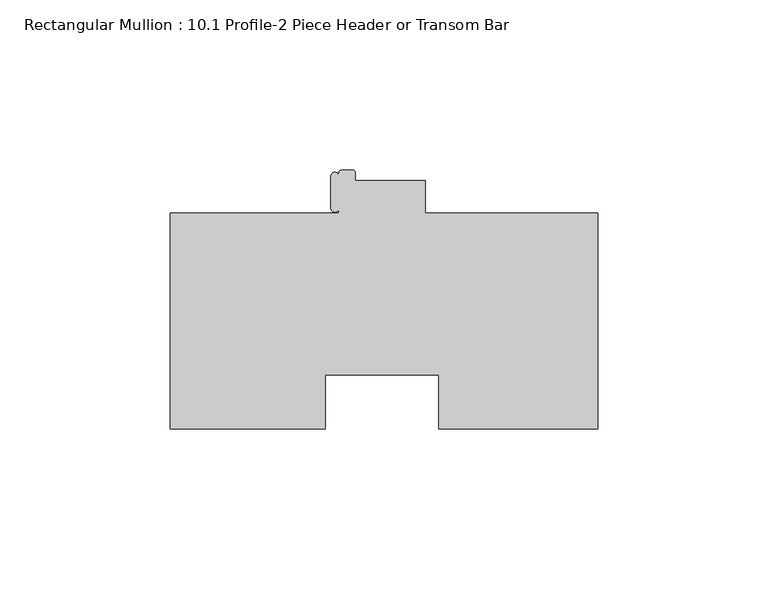
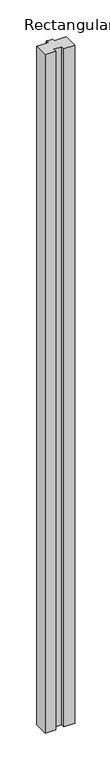
"""IFC4 building model written with IfcOpenShell, lengths in millimetres: member geometry, Rectangular Mullion : 10.1 Profile-2 Piece Header or Transom Bar."""

from ifc_helpers import new_model, si_unit, point, frame, frame_2d, origin, place, context, project, spatial, polyline, circle_curve, trimmed, segment, composite_curve, outline, extrude, source, transform, mapped, element, save


def rectangular_mullion_10_1_profile_2_piece_header_or_transom_fe60bb58(model_context):
    return source(origin(), model_context, "Body", "SweptSolid", [
        extrude(outline(composite_curve([segment(polyline([(-50.7238, 15.08125), (0.0, 15.08125), (0.0, -48.41875), (-46.8503, -48.41875), (-46.8503, -32.5312262), (-80.2091346, -32.5312262), (-80.2091346, -48.41875), (-125.7808, -48.41875), (-125.7808, 15.08125), (-76.1238, 15.08125), (-76.1238, 16.5470542)]), True, "CONTINUOUS"), segment(trimmed(circle_curve(frame_2d((-77.317346, 16.5716791)), 1.1938), [point((-76.1238, 16.5470542))], [point((-78.511146, 16.5716791))], False, "CARTESIAN"), True, "CONTINUOUS"), segment(polyline([(-78.511146, 16.5716791), (-78.511146, 25.8970345)]), True, "CONTINUOUS"), segment(trimmed(circle_curve(frame_2d((-77.317346, 25.8970345)), 1.1938), [point((-78.511146, 25.8970345))], [point((-76.1238, 25.9216594))], False, "CARTESIAN"), True, "CONTINUOUS"), segment(polyline([(-76.1238, 25.9216594), (-76.1238, 26.99385)]), True, "CONTINUOUS"), segment(trimmed(circle_curve(frame_2d((-75.3364, 26.99385)), 0.7874), [point((-76.1238, 26.99385))], [point((-75.3364, 27.78125))], False, "CARTESIAN"), True, "CONTINUOUS"), segment(polyline([(-75.3364, 27.78125), (-72.136, 27.78125)]), True, "CONTINUOUS"), segment(trimmed(circle_curve(frame_2d((-72.136, 26.99385)), 0.7874), [point((-72.136, 27.78125))], [point((-71.3486, 26.99385))], False, "CARTESIAN"), True, "CONTINUOUS"), segment(polyline([(-71.3486, 26.99385), (-71.3486, 24.60625), (-50.7238, 24.60625), (-50.7238, 15.08125)]), True, "CONTINUOUS")], self_intersect=False)), frame((0.0, 0.0, -3048.0), z_axis=(0.0, 0.0, 1.0), x_axis=(1.0, 0.0, 0.0)), (0.0, 0.0, 1.0), 3048.0),
    ])


if __name__ == "__main__":
    model = new_model("IFC4")
    model_context = context("Model", 3, world=origin())
    ifc_project = project(units=[si_unit("LENGTHUNIT", "METRE", prefix="MILLI")], contexts=[model_context])
    site = spatial("IfcSite", under=ifc_project)
    building = spatial("IfcBuilding", under=site)
    placement = place(None, origin())
    rectangular_mullion_10_1_profile_2_piece_header_or_transom_shape = rectangular_mullion_10_1_profile_2_piece_header_or_transom_fe60bb58(model_context)
    element("IfcMember", 1, ObjectType="Rectangular Mullion : 10.1 Profile-2 Piece Header or Transom Bar", at=placement, inside=building, context=model_context, shape_type="MappedRepresentation", body=[
        mapped(rectangular_mullion_10_1_profile_2_piece_header_or_transom_shape, transform((0.0, 0.0, 0.0), x_axis=(1.0, 0.0, 0.0), y_axis=(0.0, 1.0, 0.0), z_axis=(0.0, 0.0, 1.0))),
    ])
    save(model, "model.ifc")
